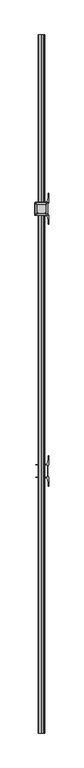
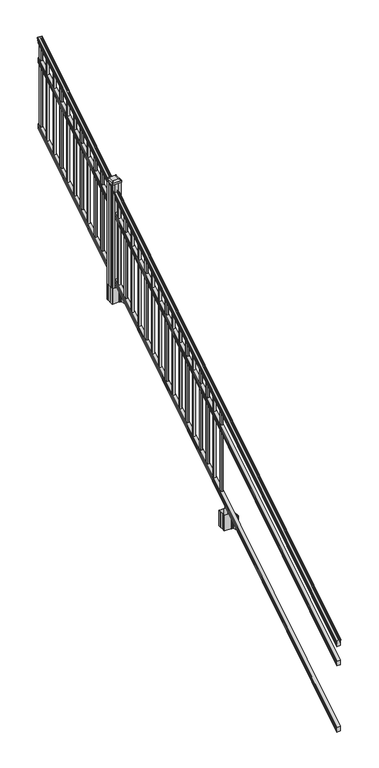
"""IFC4 building model written with IfcOpenShell, lengths in millimetres: railing geometry."""

from ifc_helpers import new_model, si_unit, point, frame, frame_2d, origin, place, context, project, spatial, polyline, circle_curve, ellipse_curve, trimmed, segment, composite_curve, outline, extrude, faceted_brep, source, transform, mapped, element, save
from ifc_brep_helpers import plane_surface, cylinder_surface, revolved_surface, extruded_surface, advanced_brep


def railing_a7e8a6fa(model_context):
    return source(origin(), model_context, "Body", "SolidModel", [
        advanced_brep(
        [(5923.032944, -129368.4628453, 1133.2070492), (5925.6067728, -129368.4628453, 1133.2070492), (5925.6067728, -129368.4628453, 1120.6394336), (5924.5907728, -129368.4628453, 1119.441318), (5924.5907728, -129368.4628453, 1104.9), (5956.3407728, -129368.4628453, 1104.9), (5956.3407728, -129368.4628453, 1119.6274214), (5955.3247728, -129368.4628453, 1120.825537), (5955.3247728, -129368.4628453, 1133.2070492), (5957.8986015, -129368.4628453, 1133.2070492), (5957.8986015, -129368.4628453, 1135.4335658), (5959.0287878, -129368.4628453, 1137.2758543), (5959.0287878, -129368.4628453, 1145.7876358), (5958.3795314, -129368.4628453, 1148.6572588), (5960.8795314, -129368.4628453, 1153.7635509), (5962.2888739, -129368.4628453, 1155.7442021), (5962.6907729, -129368.4628453, 1157.0469579), (5962.6907728, -129368.4628453, 1158.6274846), (5961.1373255, -129368.4628453, 1160.4593836), (5940.4657728, -129368.4628453, 1160.4593836), (5919.79422, -129368.4628453, 1160.4593836), (5918.2407728, -129368.4628453, 1158.6274846), (5918.2407728, -129368.4628453, 1157.0469579), (5918.6426717, -129368.4628453, 1155.7442021), (5920.0520141, -129368.4628453, 1153.7635509), (5922.5520141, -129368.4628453, 1148.6572588), (5921.9027577, -129368.4628453, 1145.7876358), (5921.9027577, -129368.4628453, 1137.2758543), (5923.032944, -129368.4628453, 1135.4335658), (5923.032944, -124491.6628453, 4181.2070492), (5923.032944, -124491.6628453, 4183.4335658), (5921.9027577, -124491.6628453, 4185.2758543), (5921.9027577, -124491.6628453, 4193.7876358), (5922.5520141, -124491.6628453, 4196.6572588), (5920.0520141, -124491.6628453, 4201.7635509), (5918.6426717, -124491.6628453, 4203.7442021), (5918.2407727, -124491.6628453, 4205.0469579), (5918.2407728, -124491.6628453, 4206.6274846), (5919.79422, -124491.6628453, 4208.4593836), (5940.4657728, -124491.6628453, 4208.4593836), (5961.1373255, -124491.6628453, 4208.4593836), (5962.6907728, -124491.6628453, 4206.6274846), (5962.6907728, -124491.6628453, 4205.0469579), (5962.2888739, -124491.6628453, 4203.7442021), (5960.8795314, -124491.6628453, 4201.7635509), (5958.3795314, -124491.6628453, 4196.6572588), (5959.0287878, -124491.6628453, 4193.7876358), (5959.0287878, -124491.6628453, 4185.2758543), (5957.8986015, -124491.6628453, 4183.4335658), (5957.8986015, -124491.6628453, 4181.2070492), (5955.3247728, -124491.6628453, 4181.2070492), (5955.3247728, -124491.6628453, 4168.825537), (5956.3407728, -124491.6628453, 4167.6274214), (5956.3407728, -124491.6628453, 4152.9), (5924.5907728, -124491.6628453, 4152.9), (5924.5907728, -124491.6628453, 4167.441318), (5925.6067728, -124491.6628453, 4168.6394336), (5925.6067728, -124491.6628453, 4181.2070492)],
        [
            (0, 1, ellipse_curve(frame((5924.3198584, -129368.4628453, 1133.2070492), z_axis=(0.0, -1.0, 0.0), x_axis=(0.0, 0.0, -1.0)), 1.5175907, 1.2869144)),
            (1, 2),
            (2, 3),
            (3, 4),
            (4, 5),
            (5, 6),
            (6, 7),
            (7, 8),
            (8, 9, ellipse_curve(frame((5956.6116871, -129368.4628453, 1133.2070492), z_axis=(0.0, -1.0, 0.0), x_axis=(0.0, 0.0, -1.0)), 1.5175907, 1.2869144)),
            (9, 10),
            (10, 11, ellipse_curve(frame((5951.5838482, -129368.4628453, 1142.2239405), z_axis=(0.0, -1.0, 0.0), x_axis=(0.0, 0.0, -1.0)), 10.0777926, 8.545951)),
            (11, 12, ellipse_curve(frame((5952.0209112, -129368.4628453, 1141.5317451), z_axis=(0.0, -1.0, 0.0), x_axis=(0.0, 0.0, -1.0)), 9.2955186, 7.882584)),
            (12, 13, ellipse_curve(frame((5962.5342353, -129368.4628453, 1148.4275077), z_axis=(0.0, 1.0, 0.0), x_axis=(0.0, 0.0, 1.0)), 4.9048088, 4.1592695)),
            (13, 14, ellipse_curve(frame((5963.8215419, -129368.4628453, 1148.3563208), z_axis=(0.0, 1.0, 0.0), x_axis=(0.0, 0.0, 1.0)), 6.4245301, 5.4479907)),
            (14, 15, ellipse_curve(frame((5962.5883834, -129368.4628453, 1153.7602333), z_axis=(0.0, 1.0, 0.0), x_axis=(0.0, 0.0, 1.0)), 2.0151625, 1.7088543)),
            (15, 16, ellipse_curve(frame((5960.9714833, -129368.4628453, 1157.0469579), z_axis=(0.0, -1.0, 0.0), x_axis=(0.0, 0.0, -1.0)), 2.0274681, 1.7192895)),
            (16, 17),
            (17, 18, ellipse_curve(frame((5961.1373255, -129368.4628453, 1158.6274846), z_axis=(0.0, -1.0, 0.0), x_axis=(0.0, 0.0, -1.0)), 1.831899, 1.5534472)),
            (18, 19),
            (19, 20),
            (20, 21, ellipse_curve(frame((5919.79422, -129368.4628453, 1158.6274846), z_axis=(0.0, -1.0, 0.0), x_axis=(0.0, 0.0, -1.0)), 1.831899, 1.5534472)),
            (21, 22),
            (22, 23, ellipse_curve(frame((5919.9600622, -129368.4628453, 1157.0469579), z_axis=(0.0, -1.0, 0.0), x_axis=(0.0, 0.0, -1.0)), 2.0274681, 1.7192895)),
            (23, 24, ellipse_curve(frame((5918.3431621, -129368.4628453, 1153.7602333), z_axis=(0.0, 1.0, 0.0), x_axis=(0.0, 0.0, 1.0)), 2.0151625, 1.7088543)),
            (24, 25, ellipse_curve(frame((5917.1100037, -129368.4628453, 1148.3563208), z_axis=(0.0, 1.0, 0.0), x_axis=(0.0, 0.0, 1.0)), 6.4245301, 5.4479907)),
            (25, 26, ellipse_curve(frame((5918.3973102, -129368.4628453, 1148.4275077), z_axis=(0.0, 1.0, 0.0), x_axis=(0.0, 0.0, 1.0)), 4.9048088, 4.1592695)),
            (26, 27, ellipse_curve(frame((5928.9106343, -129368.4628453, 1141.5317451), z_axis=(0.0, -1.0, 0.0), x_axis=(0.0, 0.0, -1.0)), 9.2955186, 7.882584)),
            (27, 28, ellipse_curve(frame((5929.3476973, -129368.4628453, 1142.2239405), z_axis=(0.0, -1.0, 0.0), x_axis=(0.0, 0.0, -1.0)), 10.0777926, 8.545951)),
            (28, 0),
            (29, 30),
            (30, 31, ellipse_curve(frame((5929.3476973, -124491.6628453, 4190.2239405), z_axis=(0.0, 1.0, 0.0), x_axis=(0.0, 0.0, -1.0)), 10.0777926, 8.545951)),
            (31, 32, ellipse_curve(frame((5928.9106343, -124491.6628453, 4189.5317451), z_axis=(0.0, 1.0, 0.0), x_axis=(0.0, 0.0, -1.0)), 9.2955186, 7.882584)),
            (32, 33, ellipse_curve(frame((5918.3973102, -124491.6628453, 4196.4275077), z_axis=(0.0, -1.0, 0.0), x_axis=(0.0, 0.0, 1.0)), 4.9048088, 4.1592695)),
            (33, 34, ellipse_curve(frame((5917.1100037, -124491.6628453, 4196.3563208), z_axis=(0.0, -1.0, 0.0), x_axis=(0.0, 0.0, 1.0)), 6.4245301, 5.4479907)),
            (34, 35, ellipse_curve(frame((5918.3431621, -124491.6628453, 4201.7602333), z_axis=(0.0, -1.0, 0.0), x_axis=(0.0, 0.0, 1.0)), 2.0151625, 1.7088543)),
            (35, 36, ellipse_curve(frame((5919.9600622, -124491.6628453, 4205.0469579), z_axis=(0.0, 1.0, 0.0), x_axis=(0.0, 0.0, -1.0)), 2.0274681, 1.7192895)),
            (36, 37),
            (37, 38, ellipse_curve(frame((5919.79422, -124491.6628453, 4206.6274846), z_axis=(0.0, 1.0, 0.0), x_axis=(0.0, 0.0, -1.0)), 1.831899, 1.5534472)),
            (38, 39),
            (39, 40),
            (40, 41, ellipse_curve(frame((5961.1373255, -124491.6628453, 4206.6274846), z_axis=(0.0, 1.0, 0.0), x_axis=(0.0, 0.0, -1.0)), 1.831899, 1.5534472)),
            (41, 42),
            (42, 43, ellipse_curve(frame((5960.9714833, -124491.6628453, 4205.0469579), z_axis=(0.0, 1.0, 0.0), x_axis=(0.0, 0.0, -1.0)), 2.0274681, 1.7192895)),
            (43, 44, ellipse_curve(frame((5962.5883834, -124491.6628453, 4201.7602333), z_axis=(0.0, -1.0, 0.0), x_axis=(0.0, 0.0, 1.0)), 2.0151625, 1.7088543)),
            (44, 45, ellipse_curve(frame((5963.8215419, -124491.6628453, 4196.3563208), z_axis=(0.0, -1.0, 0.0), x_axis=(0.0, 0.0, 1.0)), 6.4245301, 5.4479907)),
            (45, 46, ellipse_curve(frame((5962.5342353, -124491.6628453, 4196.4275077), z_axis=(0.0, -1.0, 0.0), x_axis=(0.0, 0.0, 1.0)), 4.9048088, 4.1592695)),
            (46, 47, ellipse_curve(frame((5952.0209112, -124491.6628453, 4189.5317451), z_axis=(0.0, 1.0, 0.0), x_axis=(0.0, 0.0, -1.0)), 9.2955186, 7.882584)),
            (47, 48, ellipse_curve(frame((5951.5838482, -124491.6628453, 4190.2239405), z_axis=(0.0, 1.0, 0.0), x_axis=(0.0, 0.0, -1.0)), 10.0777926, 8.545951)),
            (48, 49),
            (49, 50, ellipse_curve(frame((5956.6116871, -124491.6628453, 4181.2070492), z_axis=(0.0, 1.0, 0.0), x_axis=(0.0, 0.0, -1.0)), 1.5175907, 1.2869144)),
            (50, 51),
            (51, 52),
            (52, 53),
            (53, 54),
            (54, 55),
            (55, 56),
            (56, 57),
            (57, 29, ellipse_curve(frame((5924.3198584, -124491.6628453, 4181.2070492), z_axis=(0.0, 1.0, 0.0), x_axis=(0.0, 0.0, -1.0)), 1.5175907, 1.2869144)),
            (28, 30),
            (29, 0),
            (27, 31),
            (26, 32),
            (25, 33),
            (24, 34),
            (23, 35),
            (22, 36),
            (21, 37),
            (20, 38),
            (19, 39),
            (18, 40),
            (17, 41),
            (16, 42),
            (15, 43),
            (14, 44),
            (13, 45),
            (12, 46),
            (11, 47),
            (10, 48),
            (9, 49),
            (8, 50),
            (7, 51),
            (6, 52),
            (5, 53),
            (4, 54),
            (3, 55),
            (2, 56),
            (1, 57),
        ],
        [
            plane_surface(frame((5940.4657728, -129368.4628453, 1104.9), z_axis=(0.0, -1.0, 0.0), x_axis=(0.0, 0.0, 1.0))),
            plane_surface(frame((5940.4657728, -124491.6628453, 4152.9), z_axis=(0.0, 1.0, 0.0), x_axis=(0.0, 0.0, 1.0))),
            plane_surface(frame((5923.032944, -129368.4628453, 1135.4335658), z_axis=(-1.0, 0.0, 0.0), x_axis=(0.0, 0.8479983040051252, 0.5299989400031204))),
            cylinder_surface(frame((5929.3476973, -129385.23765, 1131.7396876), z_axis=(0.0, -0.8479983040051253, -0.5299989400031204), x_axis=(1.0, 0.0, 0.0)), 8.545951),
            cylinder_surface(frame((5928.9106343, -129384.9265509, 1131.241929), z_axis=(0.0, -0.8479983040051253, -0.5299989400031204), x_axis=(1.0, 0.0, 0.0)), 7.882584),
            revolved_surface(polyline([(5922.5565797, -124489.45843685034, 4197.805262980552), (5922.5565797, -129370.66725374945, 1147.0497524190953)]), (5918.3973102, -129388.0257701, 1136.2006797), (0.0, 0.8479983040051253, 0.5299989400031204)),
            revolved_surface(polyline([(5922.5579944, -124488.77541603574, 4198.160964077185), (5922.5579944, -129371.35027455281, 1146.551677504493)]), (5917.1100037, -129387.993776, 1136.1494891), (0.0, 0.8479983040051253, 0.5299989400031204)),
            revolved_surface(polyline([(5920.0520164, -124490.75715429979, 4202.326290199658), (5920.0520164, -129369.36853632248, 1153.1941764359544)]), (5918.3431621, -129390.4225007, 1140.0354487), (0.0, 0.8479983040051253, 0.5299989400031204)),
            cylinder_surface(frame((5919.9600622, -129391.8996803, 1142.398936), z_axis=(0.0, -0.8479983040051253, -0.5299989400031204), x_axis=(1.0, 0.0, 0.0)), 1.7192895),
            plane_surface(frame((5918.2407728, -129368.4628453, 1158.6274846), z_axis=(-1.0, 0.0, 0.0), x_axis=(0.0, 0.8479983040051252, 0.5299989400031204))),
            cylinder_surface(frame((5919.79422, -129392.6100294, 1143.5354945), z_axis=(0.0, -0.8479983040051253, -0.5299989400031204), x_axis=(1.0, 0.0, 0.0)), 1.5534472),
            plane_surface(frame((5940.4657728, -129368.4628453, 1160.4593836), z_axis=(0.0, -0.5299989400031204, 0.8479983040051252), x_axis=(0.0, 0.8479983040051252, 0.5299989400031204))),
            plane_surface(frame((5961.1373255, -129368.4628453, 1160.4593836), z_axis=(0.0, -0.5299989400031204, 0.8479983040051252), x_axis=(0.0, 0.8479983040051252, 0.5299989400031204))),
            cylinder_surface(frame((5961.1373255, -129392.6100294, 1143.5354945), z_axis=(0.0, -0.8479983040051253, -0.5299989400031204), x_axis=(-1.0, 0.0, 0.0)), 1.5534472),
            plane_surface(frame((5962.6907728, -129368.4628453, 1157.0469579), z_axis=(1.0, 0.0, 0.0), x_axis=(0.0, 0.8479983040051252, 0.5299989400031204))),
            cylinder_surface(frame((5960.9714833, -129391.8996803, 1142.398936), z_axis=(0.0, -0.8479983040051253, -0.5299989400031204), x_axis=(-1.0, 0.0, 0.0)), 1.7192895),
            revolved_surface(polyline([(5960.8795291, -124490.75715429979, 4202.326290199658), (5960.8795291, -129369.36853632248, 1153.1941764359544)]), (5962.5883834, -129390.4225007, 1140.0354487), (0.0, 0.8479983040051253, 0.5299989400031204)),
            revolved_surface(polyline([(5958.373551199999, -124488.77541603574, 4198.160964077185), (5958.373551199999, -129371.35027455281, 1146.551677504493)]), (5963.8215419, -129387.993776, 1136.1494891), (0.0, 0.8479983040051253, 0.5299989400031204)),
            revolved_surface(polyline([(5958.3749658, -124489.45843685034, 4197.805262980552), (5958.3749658, -129370.66725374945, 1147.0497524190953)]), (5962.5342353, -129388.0257701, 1136.2006797), (0.0, 0.8479983040051253, 0.5299989400031204)),
            cylinder_surface(frame((5952.0209112, -129384.9265509, 1131.241929), z_axis=(0.0, -0.8479983040051253, -0.5299989400031204), x_axis=(-1.0, 0.0, 0.0)), 7.882584),
            cylinder_surface(frame((5951.5838482, -129385.23765, 1131.7396876), z_axis=(0.0, -0.8479983040051253, -0.5299989400031204), x_axis=(-1.0, 0.0, 0.0)), 8.545951),
            plane_surface(frame((5957.8986015, -129368.4628453, 1133.2070492), z_axis=(1.0, 0.0, 0.0), x_axis=(0.0, 0.8479983040051252, 0.5299989400031204))),
            cylinder_surface(frame((5956.6116871, -129381.1851146, 1125.2556309), z_axis=(0.0, -0.8479983040051253, -0.5299989400031204), x_axis=(-1.0, 0.0, 0.0)), 1.2869144),
            plane_surface(frame((5955.3247728, -129368.4628453, 1120.825537), z_axis=(1.0, 0.0, 0.0), x_axis=(0.0, 0.8479983040051252, 0.5299989400031204))),
            plane_surface(frame((5956.3407728, -129368.4628453, 1119.6274214), z_axis=(0.7071067811865425, -0.37476584449789213, 0.5996253511967194), x_axis=(0.0, 0.8479983040051252, 0.5299989400031204))),
            plane_surface(frame((5956.3407728, -129368.4628453, 1104.9), z_axis=(1.0, 0.0, 0.0), x_axis=(0.0, 0.8479983040051252, 0.5299989400031204))),
            plane_surface(frame((5924.5907728, -129368.4628453, 1104.9), z_axis=(0.0, 0.5299989400031204, -0.8479983040051252), x_axis=(0.0, 0.8479983040051252, 0.5299989400031204))),
            plane_surface(frame((5924.5907728, -129368.4628453, 1119.441318), z_axis=(-1.0000000000000002, 0.0, 0.0), x_axis=(0.0, 0.8479983040051253, 0.5299989400031204))),
            plane_surface(frame((5925.6067728, -129368.4628453, 1120.6394336), z_axis=(-0.7071067811865401, -0.3747658444978918, 0.5996253511967223), x_axis=(0.0, 0.8479983040051253, 0.5299989400031204))),
            plane_surface(frame((5925.6067728, -129368.4628453, 1133.2070492), z_axis=(-1.0, 0.0, 0.0), x_axis=(0.0, 0.8479983040051252, 0.5299989400031204))),
            cylinder_surface(frame((5924.3198584, -129381.1851146, 1125.2556309), z_axis=(0.0, -0.8479983040051253, -0.5299989400031204), x_axis=(1.0, 0.0, 0.0)), 1.2869144),
        ],
        [
            (0, [[1, 2, 3, 4, 5, 6, 7, 8, 9, 10, 11, 12, 13, 14, 15, 16, 17, 18, 19, 20, 21, 22, 23, 24, 25, 26, 27, 28, 29]]),
            (1, [[30, 31, 32, 33, 34, 35, 36, 37, 38, 39, 40, 41, 42, 43, 44, 45, 46, 47, 48, 49, 50, 51, 52, 53, 54, 55, 56, 57, 58]]),
            (2, [[-29, 59, -30, 60]]),
            (3, [[-28, 61, -31, -59]]),
            (4, [[-27, 62, -32, -61]]),
            (5, [[-26, 63, -33, -62]]),
            (6, [[-25, 64, -34, -63]]),
            (7, [[-24, 65, -35, -64]]),
            (8, [[-23, 66, -36, -65]]),
            (9, [[-22, 67, -37, -66]]),
            (10, [[-21, 68, -38, -67]]),
            (11, [[-20, 69, -39, -68]]),
            (12, [[-19, 70, -40, -69]]),
            (13, [[-18, 71, -41, -70]]),
            (14, [[-17, 72, -42, -71]]),
            (15, [[-16, 73, -43, -72]]),
            (16, [[-15, 74, -44, -73]]),
            (17, [[-14, 75, -45, -74]]),
            (18, [[-13, 76, -46, -75]]),
            (19, [[-12, 77, -47, -76]]),
            (20, [[-11, 78, -48, -77]]),
            (21, [[-10, 79, -49, -78]]),
            (22, [[-9, 80, -50, -79]]),
            (23, [[-8, 81, -51, -80]]),
            (24, [[-7, 82, -52, -81]]),
            (25, [[-6, 83, -53, -82]]),
            (26, [[-5, 84, -54, -83]]),
            (27, [[-4, 85, -55, -84]]),
            (28, [[-3, 86, -56, -85]]),
            (29, [[-2, 87, -57, -86]]),
            (30, [[-1, -60, -58, -87]]),
        ],
    ),
        faceted_brep([(5924.5532859, -129368.4628453, 929.2045079), (5924.5532859, -129368.4628453, 914.4), (5956.3032859, -129368.4628453, 914.4), (5956.3032859, -129368.4628453, 929.1848772), (5955.2872859, -129368.4628453, 930.7748303), (5955.2872859, -129368.4628453, 942.9348741), (5956.3032859, -129368.4628453, 944.5248272), (5956.3032859, -129368.4628453, 959.3244744), (5924.5532859, -129368.4628453, 959.3244744), (5924.5532859, -129368.4628453, 944.5444579), (5925.5692859, -129368.4628453, 942.9545048), (5925.5692859, -129368.4628453, 930.738026), (5924.5532859, -124491.6628453, 3977.2045079), (5925.5692859, -124491.6628453, 3978.738026), (5925.5692859, -124491.6628453, 3990.9545048), (5924.5532859, -124491.6628453, 3992.5444579), (5924.5532859, -124491.6628453, 4007.3244744), (5956.3032859, -124491.6628453, 4007.3244744), (5956.3032859, -124491.6628453, 3992.5248272), (5955.2872859, -124491.6628453, 3990.9348741), (5955.2872859, -124491.6628453, 3978.7748303), (5956.3032859, -124491.6628453, 3977.1848772), (5956.3032859, -124491.6628453, 3962.4), (5924.5532859, -124491.6628453, 3962.4)], [[[0, 1, 2, 3, 4, 5, 6, 7, 8, 9, 10, 11]], [[12, 13, 14, 15, 16, 17, 18, 19, 20, 21, 22, 23]], [[0, 11, 13, 12]], [[11, 10, 14, 13]], [[10, 9, 15, 14]], [[9, 8, 16, 15]], [[8, 7, 17, 16]], [[7, 6, 18, 17]], [[6, 5, 19, 18]], [[5, 4, 20, 19]], [[4, 3, 21, 20]], [[3, 2, 22, 21]], [[2, 1, 23, 22]], [[1, 0, 12, 23]]]),
        faceted_brep([(5924.5532859, -129368.4628453, 268.8045079), (5924.5532859, -129368.4628453, 254.0), (5956.3032859, -129368.4628453, 254.0), (5956.3032859, -129368.4628453, 268.7848772), (5955.2872859, -129368.4628453, 270.3748303), (5955.2872859, -129368.4628453, 282.5348741), (5956.3032859, -129368.4628453, 284.1248272), (5956.3032859, -129368.4628453, 298.9244744), (5924.5532859, -129368.4628453, 298.9244744), (5924.5532859, -129368.4628453, 284.1444579), (5925.5692859, -129368.4628453, 282.5545048), (5925.5692859, -129368.4628453, 270.338026), (5924.5532859, -124491.6628453, 3316.8045079), (5925.5692859, -124491.6628453, 3318.338026), (5925.5692859, -124491.6628453, 3330.5545048), (5924.5532859, -124491.6628453, 3332.1444579), (5924.5532859, -124491.6628453, 3346.9244744), (5956.3032859, -124491.6628453, 3346.9244744), (5956.3032859, -124491.6628453, 3332.1248272), (5955.2872859, -124491.6628453, 3330.5348741), (5955.2872859, -124491.6628453, 3318.3748303), (5956.3032859, -124491.6628453, 3316.7848772), (5956.3032859, -124491.6628453, 3302.0), (5924.5532859, -124491.6628453, 3302.0)], [[[0, 1, 2, 3, 4, 5, 6, 7, 8, 9, 10, 11]], [[12, 13, 14, 15, 16, 17, 18, 19, 20, 21, 22, 23]], [[1, 0, 12, 23]], [[7, 6, 18, 17]], [[9, 8, 16, 15]], [[11, 10, 14, 13]], [[2, 1, 23, 22]], [[3, 2, 22, 21]], [[4, 3, 21, 20]], [[5, 4, 20, 19]], [[6, 5, 19, 18]], [[8, 7, 17, 16]], [[10, 9, 15, 14]], [[0, 11, 13, 12]]]),
        extrude(outline(polyline([(5930.9407728, -124522.7778453), (5930.9407728, -124503.7278453), (5949.9907728, -124503.7278453), (5949.9907728, -124522.7778453), (5930.9407728, -124522.7778453)]), holes=[polyline([(5931.3376478, -124522.3809703), (5949.5938978, -124522.3809703), (5949.5938978, -124504.1247203), (5931.3376478, -124504.1247203), (5931.3376478, -124522.3809703)])]), frame((0.0, 0.0, 3326.6021281), z_axis=(0.0, 0.0, 1.0), x_axis=(1.0, 0.0, 0.0)), (0.0, 0.0, 1.0), 812.8041219),
        extrude(outline(polyline([(5930.9407728, -124634.0298453), (5930.9407728, -124614.9798453), (5949.9907728, -124614.9798453), (5949.9907728, -124634.0298453), (5930.9407728, -124634.0298453)]), holes=[polyline([(5931.3376478, -124633.6329703), (5949.5938978, -124633.6329703), (5949.5938978, -124615.3767203), (5931.3376478, -124615.3767203), (5931.3376478, -124633.6329703)])]), frame((0.0, 0.0, 3257.0696281), z_axis=(0.0, 0.0, 1.0), x_axis=(1.0, 0.0, 0.0)), (0.0, 0.0, 1.0), 812.8041219),
        extrude(outline(polyline([(5930.9407728, -124745.2818453), (5930.9407728, -124726.2318453), (5949.9907728, -124726.2318453), (5949.9907728, -124745.2818453), (5930.9407728, -124745.2818453)]), holes=[polyline([(5931.3376478, -124744.8849703), (5949.5938978, -124744.8849703), (5949.5938978, -124726.6287203), (5931.3376478, -124726.6287203), (5931.3376478, -124744.8849703)])]), frame((0.0, 0.0, 3187.5371281), z_axis=(0.0, 0.0, 1.0), x_axis=(1.0, 0.0, 0.0)), (0.0, 0.0, 1.0), 812.8041219),
        extrude(outline(polyline([(5930.9407728, -124856.5338453), (5930.9407728, -124837.4838453), (5949.9907728, -124837.4838453), (5949.9907728, -124856.5338453), (5930.9407728, -124856.5338453)]), holes=[polyline([(5931.3376478, -124856.1369703), (5949.5938978, -124856.1369703), (5949.5938978, -124837.8807203), (5931.3376478, -124837.8807203), (5931.3376478, -124856.1369703)])]), frame((0.0, 0.0, 3118.0046281), z_axis=(0.0, 0.0, 1.0), x_axis=(1.0, 0.0, 0.0)), (0.0, 0.0, 1.0), 812.8041219),
        extrude(outline(polyline([(5930.9407728, -124967.7858453), (5930.9407728, -124948.7358453), (5949.9907728, -124948.7358453), (5949.9907728, -124967.7858453), (5930.9407728, -124967.7858453)]), holes=[polyline([(5931.3376478, -124967.3889703), (5949.5938978, -124967.3889703), (5949.5938978, -124949.1327203), (5931.3376478, -124949.1327203), (5931.3376478, -124967.3889703)])]), frame((0.0, 0.0, 3048.4721281), z_axis=(0.0, 0.0, 1.0), x_axis=(1.0, 0.0, 0.0)), (0.0, 0.0, 1.0), 812.8041219),
        extrude(outline(polyline([(5930.9407728, -125079.0378453), (5930.9407728, -125059.9878453), (5949.9907728, -125059.9878453), (5949.9907728, -125079.0378453), (5930.9407728, -125079.0378453)]), holes=[polyline([(5931.3376478, -125078.6409703), (5949.5938978, -125078.6409703), (5949.5938978, -125060.3847203), (5931.3376478, -125060.3847203), (5931.3376478, -125078.6409703)])]), frame((0.0, 0.0, 2978.9396281), z_axis=(0.0, 0.0, 1.0), x_axis=(1.0, 0.0, 0.0)), (0.0, 0.0, 1.0), 812.8041219),
        extrude(outline(polyline([(5930.9407728, -125190.2898453), (5930.9407728, -125171.2398453), (5949.9907728, -125171.2398453), (5949.9907728, -125190.2898453), (5930.9407728, -125190.2898453)]), holes=[polyline([(5931.3376478, -125189.8929703), (5949.5938978, -125189.8929703), (5949.5938978, -125171.6367203), (5931.3376478, -125171.6367203), (5931.3376478, -125189.8929703)])]), frame((0.0, 0.0, 2909.4071281), z_axis=(0.0, 0.0, 1.0), x_axis=(1.0, 0.0, 0.0)), (0.0, 0.0, 1.0), 812.8041219),
        extrude(outline(polyline([(5930.9407728, -125301.5418453), (5930.9407728, -125282.4918453), (5949.9907728, -125282.4918453), (5949.9907728, -125301.5418453), (5930.9407728, -125301.5418453)]), holes=[polyline([(5931.3376478, -125301.1449703), (5949.5938978, -125301.1449703), (5949.5938978, -125282.8887203), (5931.3376478, -125282.8887203), (5931.3376478, -125301.1449703)])]), frame((0.0, 0.0, 2839.8746281), z_axis=(0.0, 0.0, 1.0), x_axis=(1.0, 0.0, 0.0)), (0.0, 0.0, 1.0), 812.8041219),
        extrude(outline(polyline([(5930.9407728, -125412.7938453), (5930.9407728, -125393.7438453), (5949.9907728, -125393.7438453), (5949.9907728, -125412.7938453), (5930.9407728, -125412.7938453)]), holes=[polyline([(5931.3376478, -125412.3969703), (5949.5938978, -125412.3969703), (5949.5938978, -125394.1407203), (5931.3376478, -125394.1407203), (5931.3376478, -125412.3969703)])]), frame((0.0, 0.0, 2770.3421281), z_axis=(0.0, 0.0, 1.0), x_axis=(1.0, 0.0, 0.0)), (0.0, 0.0, 1.0), 812.8041219),
        extrude(outline(polyline([(5930.9407728, -125524.0458453), (5930.9407728, -125504.9958453), (5949.9907728, -125504.9958453), (5949.9907728, -125524.0458453), (5930.9407728, -125524.0458453)]), holes=[polyline([(5931.3376478, -125523.6489703), (5949.5938978, -125523.6489703), (5949.5938978, -125505.3927203), (5931.3376478, -125505.3927203), (5931.3376478, -125523.6489703)])]), frame((0.0, 0.0, 2700.8096281), z_axis=(0.0, 0.0, 1.0), x_axis=(1.0, 0.0, 0.0)), (0.0, 0.0, 1.0), 812.8041219),
        extrude(outline(polyline([(5930.9407728, -125635.2978453), (5930.9407728, -125616.2478453), (5949.9907728, -125616.2478453), (5949.9907728, -125635.2978453), (5930.9407728, -125635.2978453)]), holes=[polyline([(5931.3376478, -125634.9009703), (5949.5938978, -125634.9009703), (5949.5938978, -125616.6447203), (5931.3376478, -125616.6447203), (5931.3376478, -125634.9009703)])]), frame((0.0, 0.0, 2631.2771281), z_axis=(0.0, 0.0, 1.0), x_axis=(1.0, 0.0, 0.0)), (0.0, 0.0, 1.0), 812.8041219),
        extrude(outline(composite_curve([segment(polyline([(5897.7302728, -125724.1849401), (5897.7302728, -125689.4127504), (5896.1427728, -125688.6507504), (5896.1427728, -125665.8488224), (5899.5157498, -125662.4758453), (5960.9754206, -125662.4758453), (5960.9754206, -125661.5550953), (5966.2929645, -125661.5550953), (5966.2929645, -125660.1008406), (5971.3774942, -125660.1008406), (5971.3774942, -125658.8168168), (5973.0447665, -125658.8168168)]), True, "CONTINUOUS"), segment(trimmed(circle_curve(frame_2d((5973.0447665, -125651.7573569)), 7.0594599), [point((5973.0447665, -125658.8168168))], [point((5979.8120293, -125653.7673636))], True, "CARTESIAN"), True, "CONTINUOUS"), segment(polyline([(5979.8120293, -125653.7673636), (5987.6862236, -125627.2566345)]), True, "CONTINUOUS"), segment(trimmed(circle_curve(frame_2d((5932.9017103, -125610.9845848)), 57.15), [point((5987.6862236, -125627.2566345))], [point((5990.0517103, -125610.9845848))], True, "CARTESIAN"), True, "CONTINUOUS"), segment(polyline([(5990.0517103, -125610.9845848), (5990.0517103, -125598.9758453), (5993.0517103, -125598.9758453), (5993.0517103, -125664.0633453), (5984.7887728, -125675.4016366), (5984.7887728, -125688.6507504), (5983.2012728, -125689.4127504), (5983.2012728, -125724.1849401), (5984.7887728, -125724.9469401), (5984.7887728, -125738.196054), (5993.0517103, -125749.5343453), (5993.0517103, -125814.6218453), (5990.0517103, -125814.6218453), (5990.0517103, -125802.6131057)]), True, "CONTINUOUS"), segment(trimmed(circle_curve(frame_2d((5932.9017103, -125802.6131057)), 57.15), [point((5990.0517103, -125802.6131057))], [point((5987.6862236, -125786.3410561))], True, "CARTESIAN"), True, "CONTINUOUS"), segment(polyline([(5987.6862236, -125786.3410561), (5979.8120293, -125759.830327)]), True, "CONTINUOUS"), segment(trimmed(circle_curve(frame_2d((5973.0447665, -125761.8403337)), 7.0594599), [point((5979.8120293, -125759.830327))], [point((5973.0447665, -125754.7808738))], True, "CARTESIAN"), True, "CONTINUOUS"), segment(polyline([(5973.0447665, -125754.7808738), (5971.3774942, -125754.7808738), (5971.3774942, -125753.49685), (5966.2929645, -125753.49685), (5966.2929645, -125752.0425953), (5960.9754206, -125752.0425953), (5960.9754206, -125751.1218453), (5899.5157498, -125751.1218453), (5896.1427728, -125747.7488682), (5896.1427728, -125724.9469401), (5897.7302728, -125724.1849401)]), True, "CONTINUOUS")], self_intersect=False), holes=[polyline([(5981.7407728, -125667.1113453), (5980.1532728, -125665.5238453), (5943.2289902, -125665.5238453), (5900.7782728, -125665.5238453), (5899.1907728, -125667.1113453), (5899.1907728, -125746.4863453), (5900.7782728, -125748.0738453), (5943.2289902, -125748.0738453), (5980.1532728, -125748.0738453), (5981.7407728, -125746.4863453), (5981.7407728, -125667.1113453)])]), frame((0.0, 0.0, 2326.64), z_axis=(0.0, 0.0, 1.0), x_axis=(1.0, 0.0, 0.0)), (0.0, 0.0, 1.0), 152.4),
        advanced_brep(
        [(5966.2626478, -125735.7707203, 3538.979263), (5969.4376478, -125732.5957203, 3538.979263), (5969.4376478, -125681.0019703, 3538.979263), (5966.2626478, -125677.8269703, 3538.979263), (5914.6688978, -125677.8269703, 3538.979263), (5911.4938978, -125681.0019703, 3538.979263), (5911.4938978, -125732.5957203, 3538.979263), (5914.6688978, -125735.7707203, 3538.979263), (5982.5345228, -125752.0425953, 3527.676263), (5898.3970228, -125752.0425953, 3527.676263), (5895.2220228, -125748.8675953, 3527.676263), (5895.2220228, -125664.7300953, 3527.676263), (5898.3970228, -125661.5550953, 3527.676263), (5982.5345228, -125661.5550953, 3527.676263), (5985.7095228, -125664.7300953, 3527.676263), (5985.7095228, -125748.8675953, 3527.676263)],
        [
            (0, 1, circle_curve(frame((5966.2626478, -125732.5957203, 3538.979263), z_axis=(0.0, 0.0, 1.0), x_axis=(0.0, 1.0, 0.0)), 3.175)),
            (1, 2),
            (2, 3, circle_curve(frame((5966.2626478, -125681.0019703, 3538.979263), z_axis=(0.0, 0.0, 1.0), x_axis=(0.0, 1.0, 0.0)), 3.175)),
            (3, 4),
            (4, 5, circle_curve(frame((5914.6688978, -125681.0019703, 3538.979263), z_axis=(0.0, 0.0, 1.0), x_axis=(0.0, 1.0, 0.0)), 3.175)),
            (5, 6),
            (6, 7, circle_curve(frame((5914.6688978, -125732.5957203, 3538.979263), z_axis=(0.0, 0.0, 1.0), x_axis=(0.0, 1.0, 0.0)), 3.175)),
            (7, 0),
            (8, 9),
            (9, 10, circle_curve(frame((5898.3970228, -125748.8675953, 3527.676263), z_axis=(0.0, 0.0, -1.0), x_axis=(0.0, 1.0, 0.0)), 3.175)),
            (10, 11),
            (11, 12, circle_curve(frame((5898.3970228, -125664.7300953, 3527.676263), z_axis=(0.0, 0.0, -1.0), x_axis=(0.0, 1.0, 0.0)), 3.175)),
            (12, 13),
            (13, 14, circle_curve(frame((5982.5345228, -125664.7300953, 3527.676263), z_axis=(0.0, 0.0, -1.0), x_axis=(0.0, 1.0, 0.0)), 3.175)),
            (14, 15),
            (15, 8, circle_curve(frame((5982.5345228, -125748.8675953, 3527.676263), z_axis=(0.0, 0.0, -1.0), x_axis=(0.0, 1.0, 0.0)), 3.175)),
            (15, 1),
            (0, 8),
            (14, 2),
            (13, 3),
            (12, 4),
            (11, 5),
            (10, 6),
            (9, 7),
        ],
        [
            plane_surface(frame((5940.4657728, -125706.7988453, 3538.979263), z_axis=(0.0, 0.0, 1.0), x_axis=(1.0, 0.0, 0.0))),
            plane_surface(frame((5940.4657728, -125706.7988453, 3527.676263), z_axis=(0.0, 0.0, -1.0), x_axis=(1.0, 0.0, 0.0))),
            extruded_surface(trimmed(circle_curve(frame((5982.5345228, -125748.8675953, 3527.676263), z_axis=(0.0, 0.0, 1.0), x_axis=(0.0, 1.0, 0.0)), 3.175), [point((5982.5345228, -125752.0425953, 3527.676263))], [point((5985.7095228, -125748.8675953, 3527.676263))], True, "CARTESIAN"), (-16.271874999999454, 16.27187500000582, 11.303000000000338), 25.63797263886966),
            plane_surface(frame((5985.7095228, -125706.7988453, 3527.676263), z_axis=(0.5705009161540778, 0.0, 0.8212969649690408), x_axis=(0.0, 1.0, 0.0))),
            extruded_surface(trimmed(circle_curve(frame((5982.5345228, -125664.7300953, 3527.676263), z_axis=(0.0, 0.0, 1.0), x_axis=(0.0, 1.0, 0.0)), 3.175), [point((5985.7095228, -125664.7300953, 3527.676263))], [point((5982.5345228, -125661.5550953, 3527.676263))], True, "CARTESIAN"), (-16.271874999999454, -16.27187500000582, 11.303000000000338), 25.63797263886966),
            plane_surface(frame((5940.4657728, -125661.5550953, 3527.676263), z_axis=(0.0, 0.5705009161540291, 0.8212969649690747), x_axis=(-1.0, 0.0, 0.0))),
            extruded_surface(trimmed(circle_curve(frame((5898.3970228, -125664.7300953, 3527.676263), z_axis=(0.0, 0.0, 1.0), x_axis=(0.0, 1.0, 0.0)), 3.175), [point((5898.3970228, -125661.5550953, 3527.676263))], [point((5895.2220228, -125664.7300953, 3527.676263))], True, "CARTESIAN"), (16.271875000000364, -16.27187500000582, 11.303000000000338), 25.637972638870238),
            plane_surface(frame((5895.2220228, -125706.7988453, 3527.676263), z_axis=(-0.5705009161540142, 0.0, 0.8212969649690851), x_axis=(0.0, -1.0, 0.0))),
            extruded_surface(trimmed(circle_curve(frame((5898.3970228, -125748.8675953, 3527.676263), z_axis=(0.0, 0.0, 1.0), x_axis=(0.0, 1.0, 0.0)), 3.175), [point((5895.2220228, -125748.8675953, 3527.676263))], [point((5898.3970228, -125752.0425953, 3527.676263))], True, "CARTESIAN"), (16.271875000000364, 16.27187500000582, 11.303000000000338), 25.637972638870238),
            plane_surface(frame((5940.4657728, -125752.0425953, 3527.676263), z_axis=(0.0, -0.570500916154034, 0.8212969649690713), x_axis=(1.0, 0.0, 0.0))),
        ],
        [
            (0, [[1, 2, 3, 4, 5, 6, 7, 8]]),
            (1, [[9, 10, 11, 12, 13, 14, 15, 16]]),
            (2, [[-16, 17, -1, 18]]),
            (3, [[-15, 19, -2, -17]]),
            (4, [[-14, 20, -3, -19]]),
            (5, [[-13, 21, -4, -20]]),
            (6, [[-12, 22, -5, -21]]),
            (7, [[-11, 23, -6, -22]]),
            (8, [[-10, 24, -7, -23]]),
            (9, [[-9, -18, -8, -24]]),
        ],
    ),
        extrude(outline(composite_curve([segment(polyline([(5982.5345228, -125752.0425953), (5898.3970228, -125752.0425953)]), True, "CONTINUOUS"), segment(trimmed(circle_curve(frame_2d((5898.3970228, -125748.8675953)), 3.175), [point((5898.3970228, -125752.0425953))], [point((5895.2220228, -125748.8675953))], False, "CARTESIAN"), True, "CONTINUOUS"), segment(polyline([(5895.2220228, -125748.8675953), (5895.2220228, -125664.7300953)]), True, "CONTINUOUS"), segment(trimmed(circle_curve(frame_2d((5898.3970228, -125664.7300953)), 3.175), [point((5895.2220228, -125664.7300953))], [point((5898.3970228, -125661.5550953))], False, "CARTESIAN"), True, "CONTINUOUS"), segment(polyline([(5898.3970228, -125661.5550953), (5982.5345228, -125661.5550953)]), True, "CONTINUOUS"), segment(trimmed(circle_curve(frame_2d((5982.5345228, -125664.7300953)), 3.175), [point((5982.5345228, -125661.5550953))], [point((5985.7095228, -125664.7300953))], False, "CARTESIAN"), True, "CONTINUOUS"), segment(polyline([(5985.7095228, -125664.7300953), (5985.7095228, -125748.8675953)]), True, "CONTINUOUS"), segment(trimmed(circle_curve(frame_2d((5982.5345228, -125748.8675953)), 3.175), [point((5985.7095228, -125748.8675953))], [point((5982.5345228, -125752.0425953))], False, "CARTESIAN"), True, "CONTINUOUS")], self_intersect=False)), frame((0.0, 0.0, 3510.404263), z_axis=(0.0, 0.0, 1.0), x_axis=(1.0, 0.0, 0.0)), (0.0, 0.0, 1.0), 17.272),
        extrude(outline(polyline([(5980.1532728, -125748.0738453), (5960.5317728, -125748.0738453), (5959.7697728, -125746.4863453), (5921.1617728, -125746.4863453), (5920.3997728, -125748.0738453), (5900.7782728, -125748.0738453), (5899.1907728, -125746.4863453), (5899.1907728, -125726.8648453), (5900.7782728, -125726.1028453), (5900.7782728, -125687.4948453), (5899.1907728, -125686.7328453), (5899.1907728, -125667.1113453), (5900.7782728, -125665.5238453), (5920.3997728, -125665.5238453), (5921.1617728, -125667.1113453), (5959.7697728, -125667.1113453), (5960.5317728, -125665.5238453), (5980.1532728, -125665.5238453), (5981.7407728, -125667.1113453), (5981.7407728, -125686.7328453), (5980.1532728, -125687.4948453), (5980.1532728, -125726.1028453), (5981.7407728, -125726.8648453), (5981.7407728, -125746.4863453), (5980.1532728, -125748.0738453)])), frame((0.0, 0.0, 2479.04), z_axis=(0.0, 0.0, 1.0), x_axis=(1.0, 0.0, 0.0)), (0.0, 0.0, 1.0), 1031.364263),
        extrude(outline(polyline([(5930.9407728, -125797.3498453), (5930.9407728, -125778.2998453), (5949.9907728, -125778.2998453), (5949.9907728, -125797.3498453), (5930.9407728, -125797.3498453)]), holes=[polyline([(5931.3376478, -125796.9529703), (5949.5938978, -125796.9529703), (5949.5938978, -125778.6967203), (5931.3376478, -125778.6967203), (5931.3376478, -125796.9529703)])]), frame((0.0, 0.0, 2529.9946281), z_axis=(0.0, 0.0, 1.0), x_axis=(1.0, 0.0, 0.0)), (0.0, 0.0, 1.0), 812.8041219),
        extrude(outline(polyline([(5930.9407728, -125908.6018453), (5930.9407728, -125889.5518453), (5949.9907728, -125889.5518453), (5949.9907728, -125908.6018453), (5930.9407728, -125908.6018453)]), holes=[polyline([(5931.3376478, -125908.2049703), (5949.5938978, -125908.2049703), (5949.5938978, -125889.9487203), (5931.3376478, -125889.9487203), (5931.3376478, -125908.2049703)])]), frame((0.0, 0.0, 2460.4621281), z_axis=(0.0, 0.0, 1.0), x_axis=(1.0, 0.0, 0.0)), (0.0, 0.0, 1.0), 812.8041219),
        extrude(outline(polyline([(5930.9407728, -126019.8538453), (5930.9407728, -126000.8038453), (5949.9907728, -126000.8038453), (5949.9907728, -126019.8538453), (5930.9407728, -126019.8538453)]), holes=[polyline([(5931.3376478, -126019.4569703), (5949.5938978, -126019.4569703), (5949.5938978, -126001.2007203), (5931.3376478, -126001.2007203), (5931.3376478, -126019.4569703)])]), frame((0.0, 0.0, 2390.9296281), z_axis=(0.0, 0.0, 1.0), x_axis=(1.0, 0.0, 0.0)), (0.0, 0.0, 1.0), 812.8041219),
        extrude(outline(polyline([(5930.9407728, -126131.1058453), (5930.9407728, -126112.0558453), (5949.9907728, -126112.0558453), (5949.9907728, -126131.1058453), (5930.9407728, -126131.1058453)]), holes=[polyline([(5931.3376478, -126130.7089703), (5949.5938978, -126130.7089703), (5949.5938978, -126112.4527203), (5931.3376478, -126112.4527203), (5931.3376478, -126130.7089703)])]), frame((0.0, 0.0, 2321.3971281), z_axis=(0.0, 0.0, 1.0), x_axis=(1.0, 0.0, 0.0)), (0.0, 0.0, 1.0), 812.8041219),
        extrude(outline(polyline([(5930.9407728, -126242.3578453), (5930.9407728, -126223.3078453), (5949.9907728, -126223.3078453), (5949.9907728, -126242.3578453), (5930.9407728, -126242.3578453)]), holes=[polyline([(5931.3376478, -126241.9609703), (5949.5938978, -126241.9609703), (5949.5938978, -126223.7047203), (5931.3376478, -126223.7047203), (5931.3376478, -126241.9609703)])]), frame((0.0, 0.0, 2251.8646281), z_axis=(0.0, 0.0, 1.0), x_axis=(1.0, 0.0, 0.0)), (0.0, 0.0, 1.0), 812.8041219),
        extrude(outline(polyline([(5930.9407728, -126353.6098453), (5930.9407728, -126334.5598453), (5949.9907728, -126334.5598453), (5949.9907728, -126353.6098453), (5930.9407728, -126353.6098453)]), holes=[polyline([(5931.3376478, -126353.2129703), (5949.5938978, -126353.2129703), (5949.5938978, -126334.9567203), (5931.3376478, -126334.9567203), (5931.3376478, -126353.2129703)])]), frame((0.0, 0.0, 2182.3321281), z_axis=(0.0, 0.0, 1.0), x_axis=(1.0, 0.0, 0.0)), (0.0, 0.0, 1.0), 812.8041219),
        extrude(outline(polyline([(5930.9407728, -126464.8618453), (5930.9407728, -126445.8118453), (5949.9907728, -126445.8118453), (5949.9907728, -126464.8618453), (5930.9407728, -126464.8618453)]), holes=[polyline([(5931.3376478, -126464.4649703), (5949.5938978, -126464.4649703), (5949.5938978, -126446.2087203), (5931.3376478, -126446.2087203), (5931.3376478, -126464.4649703)])]), frame((0.0, 0.0, 2112.7996281), z_axis=(0.0, 0.0, 1.0), x_axis=(1.0, 0.0, 0.0)), (0.0, 0.0, 1.0), 812.8041219),
        extrude(outline(polyline([(5930.9407728, -126576.1138453), (5930.9407728, -126557.0638453), (5949.9907728, -126557.0638453), (5949.9907728, -126576.1138453), (5930.9407728, -126576.1138453)]), holes=[polyline([(5931.3376478, -126575.7169703), (5949.5938978, -126575.7169703), (5949.5938978, -126557.4607203), (5931.3376478, -126557.4607203), (5931.3376478, -126575.7169703)])]), frame((0.0, 0.0, 2043.2671281), z_axis=(0.0, 0.0, 1.0), x_axis=(1.0, 0.0, 0.0)), (0.0, 0.0, 1.0), 812.8041219),
        extrude(outline(polyline([(5930.9407728, -126687.3658453), (5930.9407728, -126668.3158453), (5949.9907728, -126668.3158453), (5949.9907728, -126687.3658453), (5930.9407728, -126687.3658453)]), holes=[polyline([(5931.3376478, -126686.9689703), (5949.5938978, -126686.9689703), (5949.5938978, -126668.7127203), (5931.3376478, -126668.7127203), (5931.3376478, -126686.9689703)])]), frame((0.0, 0.0, 1973.7346281), z_axis=(0.0, 0.0, 1.0), x_axis=(1.0, 0.0, 0.0)), (0.0, 0.0, 1.0), 812.8041219),
        extrude(outline(polyline([(5930.9407728, -126798.6178453), (5930.9407728, -126779.5678453), (5949.9907728, -126779.5678453), (5949.9907728, -126798.6178453), (5930.9407728, -126798.6178453)]), holes=[polyline([(5931.3376478, -126798.2209703), (5949.5938978, -126798.2209703), (5949.5938978, -126779.9647203), (5931.3376478, -126779.9647203), (5931.3376478, -126798.2209703)])]), frame((0.0, 0.0, 1904.2021281), z_axis=(0.0, 0.0, 1.0), x_axis=(1.0, 0.0, 0.0)), (0.0, 0.0, 1.0), 812.8041219),
        extrude(outline(polyline([(5930.9407728, -126909.8698453), (5930.9407728, -126890.8198453), (5949.9907728, -126890.8198453), (5949.9907728, -126909.8698453), (5930.9407728, -126909.8698453)]), holes=[polyline([(5931.3376478, -126909.4729703), (5949.5938978, -126909.4729703), (5949.5938978, -126891.2167203), (5931.3376478, -126891.2167203), (5931.3376478, -126909.4729703)])]), frame((0.0, 0.0, 1834.6696281), z_axis=(0.0, 0.0, 1.0), x_axis=(1.0, 0.0, 0.0)), (0.0, 0.0, 1.0), 812.8041219),
        extrude(outline(polyline([(5930.9407728, -127021.1218453), (5930.9407728, -127002.0718453), (5949.9907728, -127002.0718453), (5949.9907728, -127021.1218453), (5930.9407728, -127021.1218453)]), holes=[polyline([(5931.3376478, -127020.7249703), (5949.5938978, -127020.7249703), (5949.5938978, -127002.4687203), (5931.3376478, -127002.4687203), (5931.3376478, -127020.7249703)])]), frame((0.0, 0.0, 1765.1371281), z_axis=(0.0, 0.0, 1.0), x_axis=(1.0, 0.0, 0.0)), (0.0, 0.0, 1.0), 812.8041219),
        extrude(outline(polyline([(5930.9407728, -127132.3738453), (5930.9407728, -127113.3238453), (5949.9907728, -127113.3238453), (5949.9907728, -127132.3738453), (5930.9407728, -127132.3738453)]), holes=[polyline([(5931.3376478, -127131.9769703), (5949.5938978, -127131.9769703), (5949.5938978, -127113.7207203), (5931.3376478, -127113.7207203), (5931.3376478, -127131.9769703)])]), frame((0.0, 0.0, 1695.6046281), z_axis=(0.0, 0.0, 1.0), x_axis=(1.0, 0.0, 0.0)), (0.0, 0.0, 1.0), 812.8041219),
        extrude(outline(polyline([(5930.9407728, -127243.6258453), (5930.9407728, -127224.5758453), (5949.9907728, -127224.5758453), (5949.9907728, -127243.6258453), (5930.9407728, -127243.6258453)]), holes=[polyline([(5931.3376478, -127243.2289703), (5949.5938978, -127243.2289703), (5949.5938978, -127224.9727203), (5931.3376478, -127224.9727203), (5931.3376478, -127243.2289703)])]), frame((0.0, 0.0, 1626.0721281), z_axis=(0.0, 0.0, 1.0), x_axis=(1.0, 0.0, 0.0)), (0.0, 0.0, 1.0), 812.8041219),
        extrude(outline(polyline([(5930.9407728, -127354.8778453), (5930.9407728, -127335.8278453), (5949.9907728, -127335.8278453), (5949.9907728, -127354.8778453), (5930.9407728, -127354.8778453)]), holes=[polyline([(5931.3376478, -127354.4809703), (5949.5938978, -127354.4809703), (5949.5938978, -127336.2247203), (5931.3376478, -127336.2247203), (5931.3376478, -127354.4809703)])]), frame((0.0, 0.0, 1556.5396281), z_axis=(0.0, 0.0, 1.0), x_axis=(1.0, 0.0, 0.0)), (0.0, 0.0, 1.0), 812.8041219),
        extrude(outline(polyline([(5930.9407728, -127466.1298453), (5930.9407728, -127447.0798453), (5949.9907728, -127447.0798453), (5949.9907728, -127466.1298453), (5930.9407728, -127466.1298453)]), holes=[polyline([(5931.3376478, -127465.7329703), (5949.5938978, -127465.7329703), (5949.5938978, -127447.4767203), (5931.3376478, -127447.4767203), (5931.3376478, -127465.7329703)])]), frame((0.0, 0.0, 1487.0071281), z_axis=(0.0, 0.0, 1.0), x_axis=(1.0, 0.0, 0.0)), (0.0, 0.0, 1.0), 812.8041219),
        extrude(outline(composite_curve([segment(polyline([(5897.7302728, -127555.0169401), (5897.7302728, -127520.2447504), (5896.1427728, -127519.4827504), (5896.1427728, -127496.6808224), (5899.5157498, -127493.3078453), (5960.9754206, -127493.3078453), (5960.9754206, -127492.3870953), (5966.2929645, -127492.3870953), (5966.2929645, -127490.9328406), (5971.3774942, -127490.9328406), (5971.3774942, -127489.6488168), (5973.0447665, -127489.6488168)]), True, "CONTINUOUS"), segment(trimmed(circle_curve(frame_2d((5973.0447665, -127482.5893569)), 7.0594599), [point((5973.0447665, -127489.6488168))], [point((5979.8120293, -127484.5993636))], True, "CARTESIAN"), True, "CONTINUOUS"), segment(polyline([(5979.8120293, -127484.5993636), (5987.6862236, -127458.0886345)]), True, "CONTINUOUS"), segment(trimmed(circle_curve(frame_2d((5932.9017103, -127441.8165848)), 57.15), [point((5987.6862236, -127458.0886345))], [point((5990.0517103, -127441.8165848))], True, "CARTESIAN"), True, "CONTINUOUS"), segment(polyline([(5990.0517103, -127441.8165848), (5990.0517103, -127429.8078453), (5993.0517103, -127429.8078453), (5993.0517103, -127494.8953453), (5984.7887728, -127506.2336366), (5984.7887728, -127519.4827504), (5983.2012728, -127520.2447504), (5983.2012728, -127555.0169401), (5984.7887728, -127555.7789401), (5984.7887728, -127569.028054), (5993.0517103, -127580.3663453), (5993.0517103, -127645.4538453), (5990.0517103, -127645.4538453), (5990.0517103, -127633.4451057)]), True, "CONTINUOUS"), segment(trimmed(circle_curve(frame_2d((5932.9017103, -127633.4451057)), 57.15), [point((5990.0517103, -127633.4451057))], [point((5987.6862236, -127617.1730561))], True, "CARTESIAN"), True, "CONTINUOUS"), segment(polyline([(5987.6862236, -127617.1730561), (5979.8120293, -127590.662327)]), True, "CONTINUOUS"), segment(trimmed(circle_curve(frame_2d((5973.0447665, -127592.6723337)), 7.0594599), [point((5979.8120293, -127590.662327))], [point((5973.0447665, -127585.6128738))], True, "CARTESIAN"), True, "CONTINUOUS"), segment(polyline([(5973.0447665, -127585.6128738), (5971.3774942, -127585.6128738), (5971.3774942, -127584.32885), (5966.2929645, -127584.32885), (5966.2929645, -127582.8745953), (5960.9754206, -127582.8745953), (5960.9754206, -127581.9538453), (5899.5157498, -127581.9538453), (5896.1427728, -127578.5808682), (5896.1427728, -127555.7789401), (5897.7302728, -127555.0169401)]), True, "CONTINUOUS")], self_intersect=False), holes=[polyline([(5981.7407728, -127497.9433453), (5980.1532728, -127496.3558453), (5943.2289902, -127496.3558453), (5900.7782728, -127496.3558453), (5899.1907728, -127497.9433453), (5899.1907728, -127577.3183453), (5900.7782728, -127578.9058453), (5943.2289902, -127578.9058453), (5980.1532728, -127578.9058453), (5981.7407728, -127577.3183453), (5981.7407728, -127497.9433453)])]), frame((0.0, 0.0, 1182.37), z_axis=(0.0, 0.0, 1.0), x_axis=(1.0, 0.0, 0.0)), (0.0, 0.0, 1.0), 152.4),
    ])


if __name__ == "__main__":
    model = new_model("IFC4")
    model_context = context("Model", 3, world=origin())
    ifc_project = project(units=[si_unit("LENGTHUNIT", "METRE", prefix="MILLI")], contexts=[model_context])
    site = spatial("IfcSite", under=ifc_project)
    building = spatial("IfcBuilding", under=site)
    placement = place(None, origin())
    railing_shape = railing_a7e8a6fa(model_context)
    element("IfcRailing", 1, at=placement, inside=building, context=model_context, shape_type="MappedRepresentation", body=[
        mapped(railing_shape, transform((0.0, 0.0, 0.0), x_axis=(1.0, 0.0, 0.0), y_axis=(0.0, 1.0, 0.0), z_axis=(0.0, 0.0, 1.0))),
    ])
    save(model, "model.ifc")
